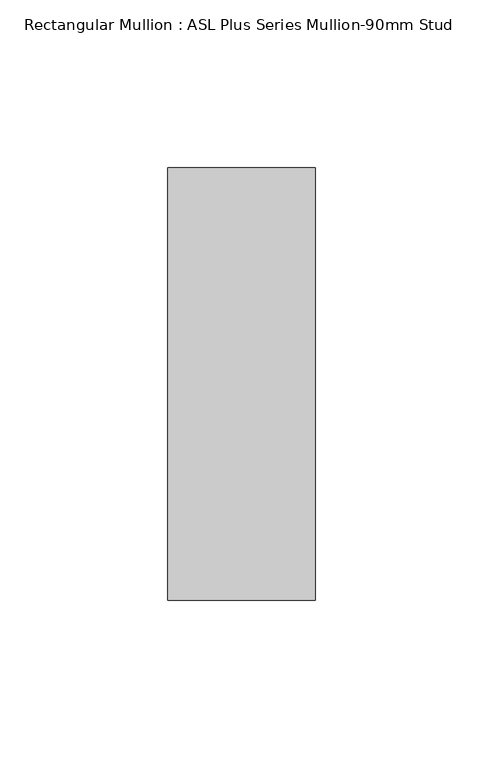
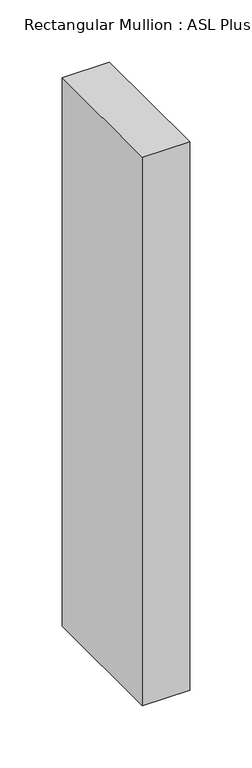
"""IFC4 building model written with IfcOpenShell, lengths in millimetres: member geometry, Rectangular Mullion : ASL Plus Series Mullion-90mm Stud."""

import ifcopenshell
import ifcopenshell.guid

model = None  # the IFC model being written
_history = None  # IfcOwnerHistory: only IFC2X3 demands one
_inside = {}  # id of a spatial element -> (the spatial element, [elements in it])
_under = {}  # id of a project, library or spatial element -> (it, [spatial elements below it])
_declared = {}  # id of a project -> (the project, [libraries it declares])
_typed = {}  # id of a type object -> (the type object, [elements of that type])
_made_of = {}  # id of a material, layer set ... -> (it, [elements and type objects made of it])


def new_model(schema):
    """Start an empty IFC model of exactly this schema.

    Asked for "IFC4X3", IfcOpenShell would pick the latest addendum, in which some entities
    have other attributes; the version numbers below select the first issue.
    IFC2X3 requires an IfcOwnerHistory on every rooted entity: one is made here for all.
    """
    global model, _history
    if schema == "IFC4X3":
        model = ifcopenshell.file(schema_version=(4, 3, 0, 0))
    else:
        model = ifcopenshell.file(schema=schema)
    _inside.clear()
    _under.clear()
    _declared.clear()
    _typed.clear()
    _made_of.clear()
    _history = None
    if model.schema == "IFC2X3":
        org = make("IfcOrganization", Name="unknown")
        user = make(
            "IfcPersonAndOrganization",
            ThePerson=make("IfcPerson", FamilyName="unknown"),
            TheOrganization=org,
        )
        app = make(
            "IfcApplication",
            ApplicationDeveloper=org,
            Version="unknown",
            ApplicationFullName="unknown",
            ApplicationIdentifier="unknown",
        )
        _history = make(
            "IfcOwnerHistory",
            OwningUser=user,
            OwningApplication=app,
            ChangeAction="ADDED",
            CreationDate=0,
        )
    return model


def make(cls, **values):
    """One entity of the class cls with the attributes given. An attribute that is None is left unset."""
    return model.create_entity(
        cls, **{name: value for name, value in values.items() if value is not None}
    )


def rooted(cls, **values):
    """An entity with a GlobalId (a new one), such as an element, a storey or a relation."""
    return make(cls, GlobalId=ifcopenshell.guid.new(), OwnerHistory=_history, **values)


def si_unit(unit_type, name, prefix=None):
    """IfcSIUnit, for example si_unit("LENGTHUNIT", "METRE", prefix="MILLI")."""
    return make("IfcSIUnit", UnitType=unit_type, Prefix=prefix, Name=name)


def assignment(units):
    """IfcUnitAssignment: the units of a project."""
    return None if units is None else make("IfcUnitAssignment", Units=units)


def point(xyz):
    """IfcCartesianPoint."""
    return None if xyz is None else make("IfcCartesianPoint", Coordinates=xyz)


def direction(xyz):
    """IfcDirection."""
    return None if xyz is None else make("IfcDirection", DirectionRatios=xyz)


def frame(location, z_axis=None, x_axis=None):
    """IfcAxis2Placement3D, a coordinate frame: its origin and axes. An axis left out is left unset."""
    return make(
        "IfcAxis2Placement3D",
        Location=point(location),
        Axis=direction(z_axis),
        RefDirection=direction(x_axis),
    )


def origin():
    """The frame at (0, 0, 0) with its axes left unset."""
    return frame((0.0, 0.0, 0.0))


def place(relative_to, where):
    """IfcLocalPlacement: puts the frame where relative to a parent placement (None: the world)."""
    return make(
        "IfcLocalPlacement", PlacementRelTo=relative_to, RelativePlacement=where
    )


def context(
    kind, dimensions, precision=None, world=None, true_north=None, identifier=None
):
    """IfcGeometricRepresentationContext, for example the 3D "Model" context."""
    return make(
        "IfcGeometricRepresentationContext",
        ContextIdentifier=identifier,
        ContextType=kind,
        CoordinateSpaceDimension=dimensions,
        Precision=precision,
        WorldCoordinateSystem=world,
        TrueNorth=true_north,
    )


def project(units=None, contexts=None):
    """IfcProject with its units and contexts."""
    return rooted(
        "IfcProject",
        Name="project",
        RepresentationContexts=contexts,
        UnitsInContext=assignment(units),
    )


def spatial(cls, under=None, at=None, **own):
    """A site, building, storey or space (cls), placed at a placement, below another one or the project."""
    s = rooted(cls, ObjectPlacement=at, **own)
    if under is not None:
        _under.setdefault(under.id(), (under, []))[1].append(s)
    return s


def polyline(points):
    """IfcPolyline through the points."""
    return make("IfcPolyline", Points=[point(p) for p in points])


def outline(outer, holes=None, kind="AREA"):
    """IfcArbitraryClosedProfileDef: a profile drawn as a closed curve; with holes, ...WithVoids."""
    if holes is None:
        return make("IfcArbitraryClosedProfileDef", ProfileType=kind, OuterCurve=outer)
    return make(
        "IfcArbitraryProfileDefWithVoids",
        ProfileType=kind,
        OuterCurve=outer,
        InnerCurves=holes,
    )


def extrude(swept, where, along, depth):
    """IfcExtrudedAreaSolid: the profile swept, set in the frame where, extruded along a direction by depth."""
    return make(
        "IfcExtrudedAreaSolid",
        SweptArea=swept,
        Position=where,
        ExtrudedDirection=direction(along),
        Depth=depth,
    )


def shape(context_of_items, identifier, shape_type, items):
    """IfcShapeRepresentation: the items that make up one representation, for example the "Body"."""
    return make(
        "IfcShapeRepresentation",
        ContextOfItems=context_of_items,
        RepresentationIdentifier=identifier,
        RepresentationType=shape_type,
        Items=items,
    )


def source(mapping_origin, context_of_items, identifier, shape_type, items):
    """IfcRepresentationMap: a shape defined once, which mapped items show again and again."""
    return make(
        "IfcRepresentationMap",
        MappingOrigin=mapping_origin,
        MappedRepresentation=shape(context_of_items, identifier, shape_type, items),
    )


def transform(
    local_origin,
    x_axis=None,
    y_axis=None,
    z_axis=None,
    scale=None,
    scale2=None,
    scale3=None,
    uniform=True,
):
    """IfcCartesianTransformationOperator3D, or its non-uniform kind. x_axis, y_axis, z_axis: its Axis1, 2, 3."""
    if uniform:
        return make(
            "IfcCartesianTransformationOperator3D",
            Axis1=direction(x_axis),
            Axis2=direction(y_axis),
            LocalOrigin=point(local_origin),
            Scale=scale,
            Axis3=direction(z_axis),
        )
    return make(
        "IfcCartesianTransformationOperator3DnonUniform",
        Axis1=direction(x_axis),
        Axis2=direction(y_axis),
        LocalOrigin=point(local_origin),
        Scale=scale,
        Axis3=direction(z_axis),
        Scale2=scale2,
        Scale3=scale3,
    )


def mapped(mapping_source, mapping_target):
    """IfcMappedItem: shows the shape of a source again, moved by a transform."""
    return make(
        "IfcMappedItem", MappingSource=mapping_source, MappingTarget=mapping_target
    )


def made_of(thing, what):
    """Note that an element or type object is made of a material, layer set ...; save() writes the relation."""
    if what is not None:
        _made_of.setdefault(what.id(), (what, []))[1].append(thing)
    return thing


def element(
    cls,
    number,
    at=None,
    inside=None,
    cuts=None,
    type_object=None,
    material=None,
    context=None,
    identifier="Body",
    shape_type=None,
    held_by="IfcProductDefinitionShape",
    body=None,
    shapes=None,
    **own,
):
    """One element of the class cls, such as IfcWall. Its Tag is "e" and its number.

    at: its placement. inside: the storey or other place that contains it. cuts: it is an
    opening in that element (IfcRelVoidsElement). A single representation is given by context,
    identifier, shape_type and body (its items); several are given by shapes. held_by: the class
    of the entity that holds the representations. save() writes the other relations.
    """
    e = rooted(cls, Tag="e%d" % number, ObjectPlacement=at, **own)
    if body is not None:
        shapes = [shape(context, identifier, shape_type, body)]
    if shapes is not None:
        e.Representation = make(held_by, Representations=shapes)
    if inside is not None:
        _inside.setdefault(inside.id(), (inside, []))[1].append(e)
    if cuts is not None:
        rooted(
            "IfcRelVoidsElement", RelatingBuildingElement=cuts, RelatedOpeningElement=e
        )
    if type_object is not None:
        _typed.setdefault(type_object.id(), (type_object, []))[1].append(e)
    return made_of(e, material)


def aggregate(whole, parts):
    """IfcRelAggregates: a whole, such as a stair, and the parts it consists of."""
    return rooted("IfcRelAggregates", RelatingObject=whole, RelatedObjects=parts)


def save(model, path):
    """Write the relations noted so far, then the file.

    IfcRelAggregates (storeys below a building ...), IfcRelContainedInSpatialStructure (elements
    in a storey), IfcRelDefinesByType, IfcRelAssociatesMaterial and IfcRelDeclares: one each for
    every whole, place, type object, material and project.
    """
    for whole, parts in _under.values():
        aggregate(whole, parts)
    for where, things in _inside.values():
        rooted(
            "IfcRelContainedInSpatialStructure",
            RelatedElements=things,
            RelatingStructure=where,
        )
    for kind, things in _typed.values():
        rooted("IfcRelDefinesByType", RelatedObjects=things, RelatingType=kind)
    for what, things in _made_of.values():
        rooted("IfcRelAssociatesMaterial", RelatedObjects=things, RelatingMaterial=what)
    for by, libraries in _declared.values():
        rooted("IfcRelDeclares", RelatingContext=by, RelatedDefinitions=libraries)
    model.write(path)


def rectangular_mullion_asl_plus_series_mullion_90mm_stud_d0b61613(model_context):
    return source(origin(), model_context, "Body", "SweptSolid", [
        extrude(outline(polyline([(22.0, 64.5), (22.0, -64.5), (-22.0, -64.5), (-22.0, 64.5), (22.0, 64.5)])), frame((0.0, 0.0, -539.0), z_axis=(0.0, 0.0, 1.0), x_axis=(1.0, 0.0, 0.0)), (0.0, 0.0, 1.0), 539.0),
    ])


if __name__ == "__main__":
    model = new_model("IFC4")
    model_context = context("Model", 3, world=origin())
    ifc_project = project(units=[si_unit("LENGTHUNIT", "METRE", prefix="MILLI")], contexts=[model_context])
    site = spatial("IfcSite", under=ifc_project)
    building = spatial("IfcBuilding", under=site)
    placement = place(None, origin())
    rectangular_mullion_asl_plus_series_mullion_90mm_stud_shape = rectangular_mullion_asl_plus_series_mullion_90mm_stud_d0b61613(model_context)
    element("IfcMember", 1, ObjectType="Rectangular Mullion : ASL Plus Series Mullion-90mm Stud", at=placement, inside=building, context=model_context, shape_type="MappedRepresentation", body=[
        mapped(rectangular_mullion_asl_plus_series_mullion_90mm_stud_shape, transform((0.0, 0.0, 0.0), x_axis=(1.0, 0.0, 0.0), y_axis=(0.0, 1.0, 0.0), z_axis=(0.0, 0.0, 1.0))),
    ])
    save(model, "model.ifc")
